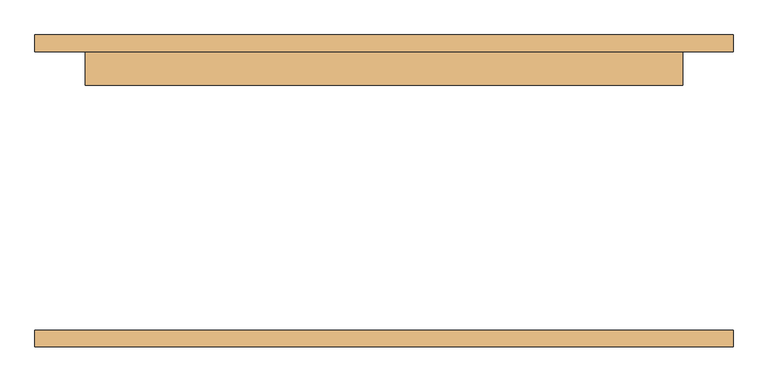
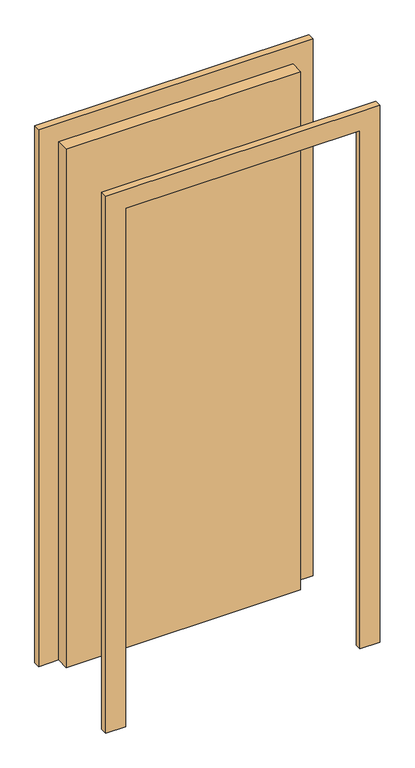
"""IFC4 building model written with IfcOpenShell, lengths in millimetres: door geometry."""

from ifc_helpers import new_model, si_unit, frame, origin, origin_with_axes, place, context, project, spatial, polyline, outline, extrude, source, transform, mapped, element, save


def door_5e6033b2(model_context):
    return source(origin(), model_context, "Body", "SweptSolid", [
        extrude(outline(polyline([(2176.0, -526.0), (0.0, -526.0), (0.0, -450.0), (2100.0, -450.0), (2100.0, 450.0), (0.0, 450.0), (0.0, 526.0), (2176.0, 526.0), (2176.0, -526.0)])), frame((0.0, 210.0, 0.0), z_axis=(0.0, 1.0, 0.0), x_axis=(0.0, 0.0, 1.0)), (0.0, 0.0, 1.0), 25.0),
        extrude(outline(polyline([(2176.0, 526.0), (2176.0, -526.0), (0.0, -526.0), (0.0, -450.0), (2100.0, -450.0), (2100.0, 450.0), (0.0, 450.0), (0.0, 526.0), (2176.0, 526.0)])), frame((0.0, -235.0, 0.0), z_axis=(0.0, 1.0, 0.0), x_axis=(0.0, 0.0, 1.0)), (0.0, 0.0, 1.0), 25.0),
        extrude(outline(polyline([(450.0, 159.0), (-450.0, 159.0), (-450.0, 210.0), (450.0, 210.0), (450.0, 159.0)])), origin_with_axes(), (0.0, 0.0, 1.0), 2100.0),
    ])


if __name__ == "__main__":
    model = new_model("IFC4")
    model_context = context("Model", 3, world=origin())
    ifc_project = project(units=[si_unit("LENGTHUNIT", "METRE", prefix="MILLI")], contexts=[model_context])
    site = spatial("IfcSite", under=ifc_project)
    building = spatial("IfcBuilding", under=site)
    placement = place(None, origin())
    door_shape = door_5e6033b2(model_context)
    element("IfcDoor", 1, at=placement, inside=building, context=model_context, shape_type="MappedRepresentation", body=[
        mapped(door_shape, transform((0.0, 0.0, 0.0), x_axis=(1.0, 0.0, 0.0), y_axis=(0.0, 1.0, 0.0), z_axis=(0.0, 0.0, 1.0))),
    ])
    save(model, "model.ifc")
